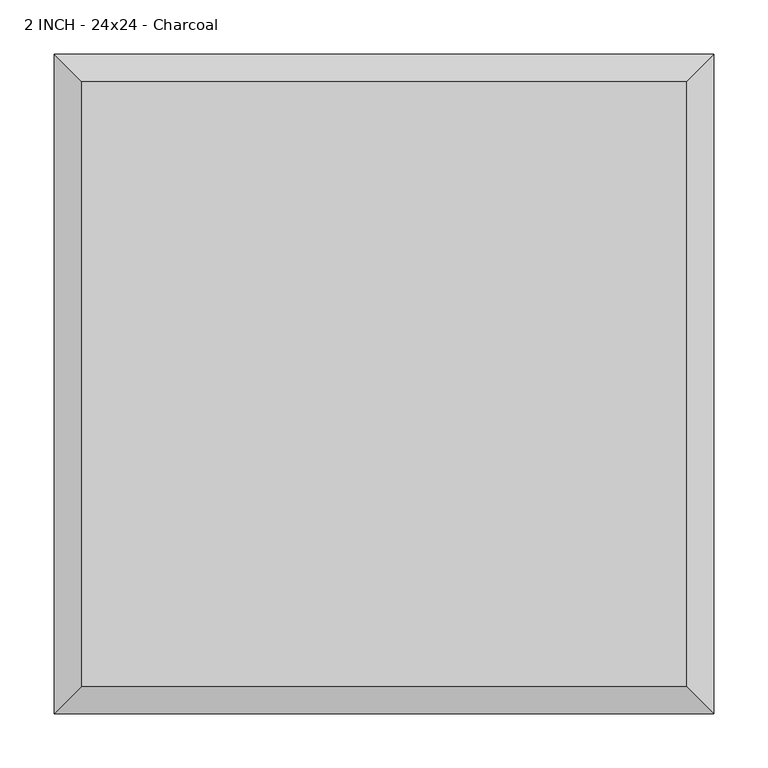
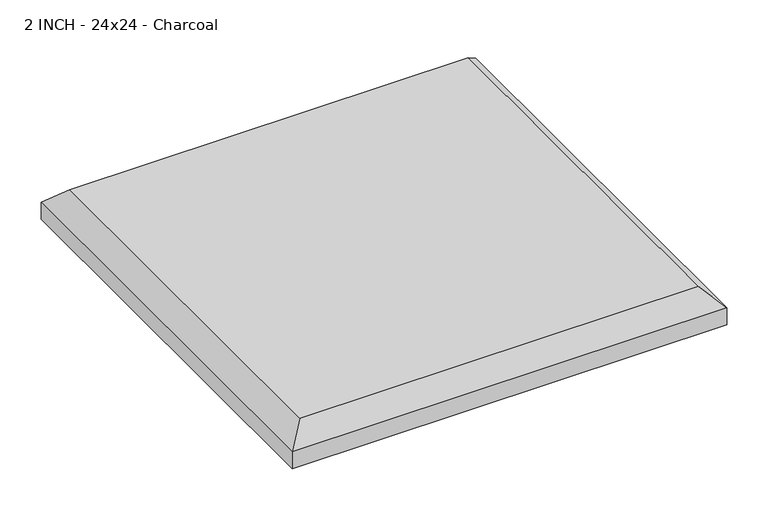
"""IFC4 building model written with IfcOpenShell, lengths in millimetres: proxy geometry, 2 INCH - 24x24 - Charcoal."""

import ifcopenshell
import ifcopenshell.guid

model = None  # the IFC model being written
_history = None  # IfcOwnerHistory: only IFC2X3 demands one
_inside = {}  # id of a spatial element -> (the spatial element, [elements in it])
_under = {}  # id of a project, library or spatial element -> (it, [spatial elements below it])
_declared = {}  # id of a project -> (the project, [libraries it declares])
_typed = {}  # id of a type object -> (the type object, [elements of that type])
_made_of = {}  # id of a material, layer set ... -> (it, [elements and type objects made of it])


def new_model(schema):
    """Start an empty IFC model of exactly this schema.

    Asked for "IFC4X3", IfcOpenShell would pick the latest addendum, in which some entities
    have other attributes; the version numbers below select the first issue.
    IFC2X3 requires an IfcOwnerHistory on every rooted entity: one is made here for all.
    """
    global model, _history
    if schema == "IFC4X3":
        model = ifcopenshell.file(schema_version=(4, 3, 0, 0))
    else:
        model = ifcopenshell.file(schema=schema)
    _inside.clear()
    _under.clear()
    _declared.clear()
    _typed.clear()
    _made_of.clear()
    _history = None
    if model.schema == "IFC2X3":
        org = make("IfcOrganization", Name="unknown")
        user = make(
            "IfcPersonAndOrganization",
            ThePerson=make("IfcPerson", FamilyName="unknown"),
            TheOrganization=org,
        )
        app = make(
            "IfcApplication",
            ApplicationDeveloper=org,
            Version="unknown",
            ApplicationFullName="unknown",
            ApplicationIdentifier="unknown",
        )
        _history = make(
            "IfcOwnerHistory",
            OwningUser=user,
            OwningApplication=app,
            ChangeAction="ADDED",
            CreationDate=0,
        )
    return model


def make(cls, **values):
    """One entity of the class cls with the attributes given. An attribute that is None is left unset."""
    return model.create_entity(
        cls, **{name: value for name, value in values.items() if value is not None}
    )


def rooted(cls, **values):
    """An entity with a GlobalId (a new one), such as an element, a storey or a relation."""
    return make(cls, GlobalId=ifcopenshell.guid.new(), OwnerHistory=_history, **values)


def si_unit(unit_type, name, prefix=None):
    """IfcSIUnit, for example si_unit("LENGTHUNIT", "METRE", prefix="MILLI")."""
    return make("IfcSIUnit", UnitType=unit_type, Prefix=prefix, Name=name)


def assignment(units):
    """IfcUnitAssignment: the units of a project."""
    return None if units is None else make("IfcUnitAssignment", Units=units)


def point(xyz):
    """IfcCartesianPoint."""
    return None if xyz is None else make("IfcCartesianPoint", Coordinates=xyz)


def direction(xyz):
    """IfcDirection."""
    return None if xyz is None else make("IfcDirection", DirectionRatios=xyz)


def frame(location, z_axis=None, x_axis=None):
    """IfcAxis2Placement3D, a coordinate frame: its origin and axes. An axis left out is left unset."""
    return make(
        "IfcAxis2Placement3D",
        Location=point(location),
        Axis=direction(z_axis),
        RefDirection=direction(x_axis),
    )


def origin():
    """The frame at (0, 0, 0) with its axes left unset."""
    return frame((0.0, 0.0, 0.0))


def place(relative_to, where):
    """IfcLocalPlacement: puts the frame where relative to a parent placement (None: the world)."""
    return make(
        "IfcLocalPlacement", PlacementRelTo=relative_to, RelativePlacement=where
    )


def context(
    kind, dimensions, precision=None, world=None, true_north=None, identifier=None
):
    """IfcGeometricRepresentationContext, for example the 3D "Model" context."""
    return make(
        "IfcGeometricRepresentationContext",
        ContextIdentifier=identifier,
        ContextType=kind,
        CoordinateSpaceDimension=dimensions,
        Precision=precision,
        WorldCoordinateSystem=world,
        TrueNorth=true_north,
    )


def project(units=None, contexts=None):
    """IfcProject with its units and contexts."""
    return rooted(
        "IfcProject",
        Name="project",
        RepresentationContexts=contexts,
        UnitsInContext=assignment(units),
    )


def spatial(cls, under=None, at=None, **own):
    """A site, building, storey or space (cls), placed at a placement, below another one or the project."""
    s = rooted(cls, ObjectPlacement=at, **own)
    if under is not None:
        _under.setdefault(under.id(), (under, []))[1].append(s)
    return s


def faces_of(points, faces, orient=None, outer=None):
    """IfcFace entities. A face is a list of loops; a loop is a list of indices into points, from 0.

    orient and outer hold one flag for each loop. By default every Orientation is true, the
    first loop of a face is its IfcFaceOuterBound and the others are IfcFaceBound.
    """
    made = []
    for i, loops in enumerate(faces):
        bounds = []
        for j, loop in enumerate(loops):
            is_outer = j == 0 if outer is None else outer[i][j]
            bounds.append(
                make(
                    "IfcFaceOuterBound" if is_outer else "IfcFaceBound",
                    Bound=make("IfcPolyLoop", Polygon=[points[k] for k in loop]),
                    Orientation=True if orient is None else orient[i][j],
                )
            )
        made.append(make("IfcFace", Bounds=bounds))
    return made


def faceted_brep(points, faces, orient=None, outer=None, voids=None):
    """IfcFacetedBrep: a solid bounded by flat faces; with voids (closed shells), ...WithVoids."""
    shared = [point(p) for p in points]
    hull = make("IfcClosedShell", CfsFaces=faces_of(shared, faces, orient, outer))
    if voids is None:
        return make("IfcFacetedBrep", Outer=hull)
    return make(
        "IfcFacetedBrepWithVoids",
        Outer=hull,
        Voids=[
            make(cls, CfsFaces=faces_of(shared, fs, o, b)) for cls, fs, o, b in voids
        ],
    )


def shape(context_of_items, identifier, shape_type, items):
    """IfcShapeRepresentation: the items that make up one representation, for example the "Body"."""
    return make(
        "IfcShapeRepresentation",
        ContextOfItems=context_of_items,
        RepresentationIdentifier=identifier,
        RepresentationType=shape_type,
        Items=items,
    )


def source(mapping_origin, context_of_items, identifier, shape_type, items):
    """IfcRepresentationMap: a shape defined once, which mapped items show again and again."""
    return make(
        "IfcRepresentationMap",
        MappingOrigin=mapping_origin,
        MappedRepresentation=shape(context_of_items, identifier, shape_type, items),
    )


def transform(
    local_origin,
    x_axis=None,
    y_axis=None,
    z_axis=None,
    scale=None,
    scale2=None,
    scale3=None,
    uniform=True,
):
    """IfcCartesianTransformationOperator3D, or its non-uniform kind. x_axis, y_axis, z_axis: its Axis1, 2, 3."""
    if uniform:
        return make(
            "IfcCartesianTransformationOperator3D",
            Axis1=direction(x_axis),
            Axis2=direction(y_axis),
            LocalOrigin=point(local_origin),
            Scale=scale,
            Axis3=direction(z_axis),
        )
    return make(
        "IfcCartesianTransformationOperator3DnonUniform",
        Axis1=direction(x_axis),
        Axis2=direction(y_axis),
        LocalOrigin=point(local_origin),
        Scale=scale,
        Axis3=direction(z_axis),
        Scale2=scale2,
        Scale3=scale3,
    )


def mapped(mapping_source, mapping_target):
    """IfcMappedItem: shows the shape of a source again, moved by a transform."""
    return make(
        "IfcMappedItem", MappingSource=mapping_source, MappingTarget=mapping_target
    )


def made_of(thing, what):
    """Note that an element or type object is made of a material, layer set ...; save() writes the relation."""
    if what is not None:
        _made_of.setdefault(what.id(), (what, []))[1].append(thing)
    return thing


def element(
    cls,
    number,
    at=None,
    inside=None,
    cuts=None,
    type_object=None,
    material=None,
    context=None,
    identifier="Body",
    shape_type=None,
    held_by="IfcProductDefinitionShape",
    body=None,
    shapes=None,
    **own,
):
    """One element of the class cls, such as IfcWall. Its Tag is "e" and its number.

    at: its placement. inside: the storey or other place that contains it. cuts: it is an
    opening in that element (IfcRelVoidsElement). A single representation is given by context,
    identifier, shape_type and body (its items); several are given by shapes. held_by: the class
    of the entity that holds the representations. save() writes the other relations.
    """
    e = rooted(cls, Tag="e%d" % number, ObjectPlacement=at, **own)
    if body is not None:
        shapes = [shape(context, identifier, shape_type, body)]
    if shapes is not None:
        e.Representation = make(held_by, Representations=shapes)
    if inside is not None:
        _inside.setdefault(inside.id(), (inside, []))[1].append(e)
    if cuts is not None:
        rooted(
            "IfcRelVoidsElement", RelatingBuildingElement=cuts, RelatedOpeningElement=e
        )
    if type_object is not None:
        _typed.setdefault(type_object.id(), (type_object, []))[1].append(e)
    return made_of(e, material)


def aggregate(whole, parts):
    """IfcRelAggregates: a whole, such as a stair, and the parts it consists of."""
    return rooted("IfcRelAggregates", RelatingObject=whole, RelatedObjects=parts)


def save(model, path):
    """Write the relations noted so far, then the file.

    IfcRelAggregates (storeys below a building ...), IfcRelContainedInSpatialStructure (elements
    in a storey), IfcRelDefinesByType, IfcRelAssociatesMaterial and IfcRelDeclares: one each for
    every whole, place, type object, material and project.
    """
    for whole, parts in _under.values():
        aggregate(whole, parts)
    for where, things in _inside.values():
        rooted(
            "IfcRelContainedInSpatialStructure",
            RelatedElements=things,
            RelatingStructure=where,
        )
    for kind, things in _typed.values():
        rooted("IfcRelDefinesByType", RelatedObjects=things, RelatingType=kind)
    for what, things in _made_of.values():
        rooted("IfcRelAssociatesMaterial", RelatedObjects=things, RelatingMaterial=what)
    for by, libraries in _declared.values():
        rooted("IfcRelDeclares", RelatingContext=by, RelatedDefinitions=libraries)
    model.write(path)


def proxy_2_inch_24x24_charcoal_bdb9d917(model_context):
    return source(origin(), model_context, "Body", "Brep", [
        faceted_brep([(279.4, 279.4, 50.8), (-279.4, 279.4, 50.8), (-279.4, -279.4, 50.8), (279.4, -279.4, 50.8), (-304.8, 304.8, 0.0), (304.8, 304.8, 0.0), (304.8, -304.8, 0.0), (-304.8, -304.8, 0.0), (-304.8, -304.8, 25.4), (-304.8, 304.8, 25.4), (304.8, -304.8, 25.4), (304.8, 304.8, 25.4)], [[[0, 1, 2, 3]], [[4, 5, 6, 7]], [[4, 7, 8, 9]], [[7, 6, 10, 8]], [[6, 5, 11, 10]], [[5, 4, 9, 11]], [[9, 1, 0, 11]], [[1, 9, 8, 2]], [[2, 8, 10, 3]], [[11, 0, 3, 10]]]),
    ])


if __name__ == "__main__":
    model = new_model("IFC4")
    model_context = context("Model", 3, world=origin())
    ifc_project = project(units=[si_unit("LENGTHUNIT", "METRE", prefix="MILLI")], contexts=[model_context])
    site = spatial("IfcSite", under=ifc_project)
    building = spatial("IfcBuilding", under=site)
    placement = place(None, origin())
    proxy_2_inch_24x24_charcoal_shape = proxy_2_inch_24x24_charcoal_bdb9d917(model_context)
    element("IfcBuildingElementProxy", 1, Name="2 INCH - 24x24 - Charcoal", ObjectType="2 INCH - 24x24 - Charcoal", at=placement, inside=building, context=model_context, shape_type="MappedRepresentation", body=[
        mapped(proxy_2_inch_24x24_charcoal_shape, transform((0.0, 0.0, 0.0), x_axis=(1.0, 0.0, 0.0), y_axis=(0.0, 1.0, 0.0), z_axis=(0.0, 0.0, 1.0))),
    ])
    save(model, "model.ifc")
